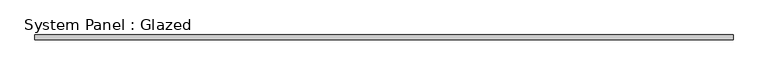
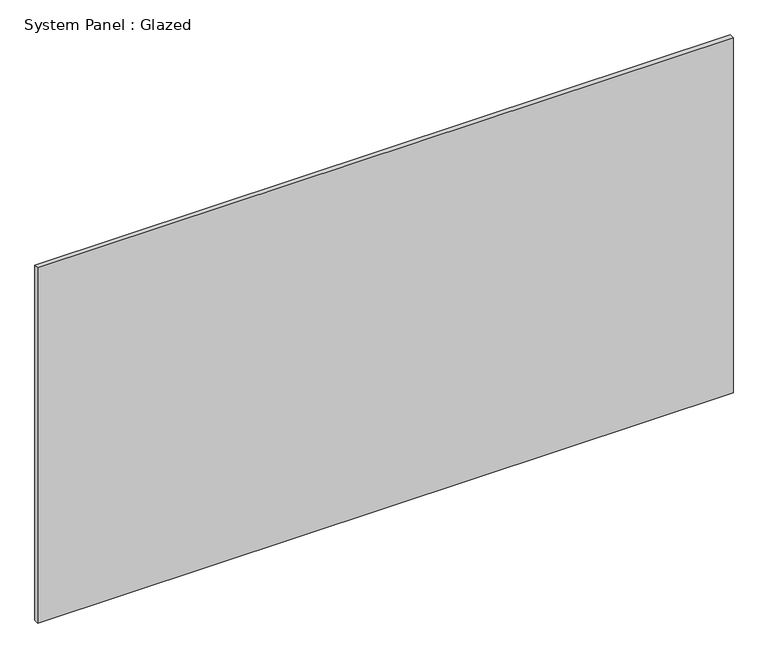
"""IFC4 building model written with IfcOpenShell, lengths in millimetres: plate geometry, System Panel : Glazed."""

import ifcopenshell
import ifcopenshell.guid

model = None  # the IFC model being written
_history = None  # IfcOwnerHistory: only IFC2X3 demands one
_inside = {}  # id of a spatial element -> (the spatial element, [elements in it])
_under = {}  # id of a project, library or spatial element -> (it, [spatial elements below it])
_declared = {}  # id of a project -> (the project, [libraries it declares])
_typed = {}  # id of a type object -> (the type object, [elements of that type])
_made_of = {}  # id of a material, layer set ... -> (it, [elements and type objects made of it])


def new_model(schema):
    """Start an empty IFC model of exactly this schema.

    Asked for "IFC4X3", IfcOpenShell would pick the latest addendum, in which some entities
    have other attributes; the version numbers below select the first issue.
    IFC2X3 requires an IfcOwnerHistory on every rooted entity: one is made here for all.
    """
    global model, _history
    if schema == "IFC4X3":
        model = ifcopenshell.file(schema_version=(4, 3, 0, 0))
    else:
        model = ifcopenshell.file(schema=schema)
    _inside.clear()
    _under.clear()
    _declared.clear()
    _typed.clear()
    _made_of.clear()
    _history = None
    if model.schema == "IFC2X3":
        org = make("IfcOrganization", Name="unknown")
        user = make(
            "IfcPersonAndOrganization",
            ThePerson=make("IfcPerson", FamilyName="unknown"),
            TheOrganization=org,
        )
        app = make(
            "IfcApplication",
            ApplicationDeveloper=org,
            Version="unknown",
            ApplicationFullName="unknown",
            ApplicationIdentifier="unknown",
        )
        _history = make(
            "IfcOwnerHistory",
            OwningUser=user,
            OwningApplication=app,
            ChangeAction="ADDED",
            CreationDate=0,
        )
    return model


def make(cls, **values):
    """One entity of the class cls with the attributes given. An attribute that is None is left unset."""
    return model.create_entity(
        cls, **{name: value for name, value in values.items() if value is not None}
    )


def rooted(cls, **values):
    """An entity with a GlobalId (a new one), such as an element, a storey or a relation."""
    return make(cls, GlobalId=ifcopenshell.guid.new(), OwnerHistory=_history, **values)


def si_unit(unit_type, name, prefix=None):
    """IfcSIUnit, for example si_unit("LENGTHUNIT", "METRE", prefix="MILLI")."""
    return make("IfcSIUnit", UnitType=unit_type, Prefix=prefix, Name=name)


def assignment(units):
    """IfcUnitAssignment: the units of a project."""
    return None if units is None else make("IfcUnitAssignment", Units=units)


def point(xyz):
    """IfcCartesianPoint."""
    return None if xyz is None else make("IfcCartesianPoint", Coordinates=xyz)


def direction(xyz):
    """IfcDirection."""
    return None if xyz is None else make("IfcDirection", DirectionRatios=xyz)


def frame(location, z_axis=None, x_axis=None):
    """IfcAxis2Placement3D, a coordinate frame: its origin and axes. An axis left out is left unset."""
    return make(
        "IfcAxis2Placement3D",
        Location=point(location),
        Axis=direction(z_axis),
        RefDirection=direction(x_axis),
    )


def origin():
    """The frame at (0, 0, 0) with its axes left unset."""
    return frame((0.0, 0.0, 0.0))


def origin_with_axes():
    """The frame at (0, 0, 0) with the z axis (0, 0, 1) and the x axis (1, 0, 0) written out."""
    return frame((0.0, 0.0, 0.0), z_axis=(0.0, 0.0, 1.0), x_axis=(1.0, 0.0, 0.0))


def place(relative_to, where):
    """IfcLocalPlacement: puts the frame where relative to a parent placement (None: the world)."""
    return make(
        "IfcLocalPlacement", PlacementRelTo=relative_to, RelativePlacement=where
    )


def context(
    kind, dimensions, precision=None, world=None, true_north=None, identifier=None
):
    """IfcGeometricRepresentationContext, for example the 3D "Model" context."""
    return make(
        "IfcGeometricRepresentationContext",
        ContextIdentifier=identifier,
        ContextType=kind,
        CoordinateSpaceDimension=dimensions,
        Precision=precision,
        WorldCoordinateSystem=world,
        TrueNorth=true_north,
    )


def project(units=None, contexts=None):
    """IfcProject with its units and contexts."""
    return rooted(
        "IfcProject",
        Name="project",
        RepresentationContexts=contexts,
        UnitsInContext=assignment(units),
    )


def spatial(cls, under=None, at=None, **own):
    """A site, building, storey or space (cls), placed at a placement, below another one or the project."""
    s = rooted(cls, ObjectPlacement=at, **own)
    if under is not None:
        _under.setdefault(under.id(), (under, []))[1].append(s)
    return s


def polyline(points):
    """IfcPolyline through the points."""
    return make("IfcPolyline", Points=[point(p) for p in points])


def outline(outer, holes=None, kind="AREA"):
    """IfcArbitraryClosedProfileDef: a profile drawn as a closed curve; with holes, ...WithVoids."""
    if holes is None:
        return make("IfcArbitraryClosedProfileDef", ProfileType=kind, OuterCurve=outer)
    return make(
        "IfcArbitraryProfileDefWithVoids",
        ProfileType=kind,
        OuterCurve=outer,
        InnerCurves=holes,
    )


def extrude(swept, where, along, depth):
    """IfcExtrudedAreaSolid: the profile swept, set in the frame where, extruded along a direction by depth."""
    return make(
        "IfcExtrudedAreaSolid",
        SweptArea=swept,
        Position=where,
        ExtrudedDirection=direction(along),
        Depth=depth,
    )


def shape(context_of_items, identifier, shape_type, items):
    """IfcShapeRepresentation: the items that make up one representation, for example the "Body"."""
    return make(
        "IfcShapeRepresentation",
        ContextOfItems=context_of_items,
        RepresentationIdentifier=identifier,
        RepresentationType=shape_type,
        Items=items,
    )


def source(mapping_origin, context_of_items, identifier, shape_type, items):
    """IfcRepresentationMap: a shape defined once, which mapped items show again and again."""
    return make(
        "IfcRepresentationMap",
        MappingOrigin=mapping_origin,
        MappedRepresentation=shape(context_of_items, identifier, shape_type, items),
    )


def transform(
    local_origin,
    x_axis=None,
    y_axis=None,
    z_axis=None,
    scale=None,
    scale2=None,
    scale3=None,
    uniform=True,
):
    """IfcCartesianTransformationOperator3D, or its non-uniform kind. x_axis, y_axis, z_axis: its Axis1, 2, 3."""
    if uniform:
        return make(
            "IfcCartesianTransformationOperator3D",
            Axis1=direction(x_axis),
            Axis2=direction(y_axis),
            LocalOrigin=point(local_origin),
            Scale=scale,
            Axis3=direction(z_axis),
        )
    return make(
        "IfcCartesianTransformationOperator3DnonUniform",
        Axis1=direction(x_axis),
        Axis2=direction(y_axis),
        LocalOrigin=point(local_origin),
        Scale=scale,
        Axis3=direction(z_axis),
        Scale2=scale2,
        Scale3=scale3,
    )


def mapped(mapping_source, mapping_target):
    """IfcMappedItem: shows the shape of a source again, moved by a transform."""
    return make(
        "IfcMappedItem", MappingSource=mapping_source, MappingTarget=mapping_target
    )


def made_of(thing, what):
    """Note that an element or type object is made of a material, layer set ...; save() writes the relation."""
    if what is not None:
        _made_of.setdefault(what.id(), (what, []))[1].append(thing)
    return thing


def element(
    cls,
    number,
    at=None,
    inside=None,
    cuts=None,
    type_object=None,
    material=None,
    context=None,
    identifier="Body",
    shape_type=None,
    held_by="IfcProductDefinitionShape",
    body=None,
    shapes=None,
    **own,
):
    """One element of the class cls, such as IfcWall. Its Tag is "e" and its number.

    at: its placement. inside: the storey or other place that contains it. cuts: it is an
    opening in that element (IfcRelVoidsElement). A single representation is given by context,
    identifier, shape_type and body (its items); several are given by shapes. held_by: the class
    of the entity that holds the representations. save() writes the other relations.
    """
    e = rooted(cls, Tag="e%d" % number, ObjectPlacement=at, **own)
    if body is not None:
        shapes = [shape(context, identifier, shape_type, body)]
    if shapes is not None:
        e.Representation = make(held_by, Representations=shapes)
    if inside is not None:
        _inside.setdefault(inside.id(), (inside, []))[1].append(e)
    if cuts is not None:
        rooted(
            "IfcRelVoidsElement", RelatingBuildingElement=cuts, RelatedOpeningElement=e
        )
    if type_object is not None:
        _typed.setdefault(type_object.id(), (type_object, []))[1].append(e)
    return made_of(e, material)


def aggregate(whole, parts):
    """IfcRelAggregates: a whole, such as a stair, and the parts it consists of."""
    return rooted("IfcRelAggregates", RelatingObject=whole, RelatedObjects=parts)


def save(model, path):
    """Write the relations noted so far, then the file.

    IfcRelAggregates (storeys below a building ...), IfcRelContainedInSpatialStructure (elements
    in a storey), IfcRelDefinesByType, IfcRelAssociatesMaterial and IfcRelDeclares: one each for
    every whole, place, type object, material and project.
    """
    for whole, parts in _under.values():
        aggregate(whole, parts)
    for where, things in _inside.values():
        rooted(
            "IfcRelContainedInSpatialStructure",
            RelatedElements=things,
            RelatingStructure=where,
        )
    for kind, things in _typed.values():
        rooted("IfcRelDefinesByType", RelatedObjects=things, RelatingType=kind)
    for what, things in _made_of.values():
        rooted("IfcRelAssociatesMaterial", RelatedObjects=things, RelatingMaterial=what)
    for by, libraries in _declared.values():
        rooted("IfcRelDeclares", RelatingContext=by, RelatedDefinitions=libraries)
    model.write(path)


def system_panel_glazed_76147136(model_context):
    return source(origin(), model_context, "Body", "SweptSolid", [
        extrude(outline(polyline([(1852.1499634, -49.5), (-1852.1499634, -49.5), (-1852.1499634, -24.5), (1852.1499634, -24.5), (1852.1499634, -49.5)])), origin_with_axes(), (0.0, 0.0, 1.0), 2000.0),
    ])


if __name__ == "__main__":
    model = new_model("IFC4")
    model_context = context("Model", 3, world=origin())
    ifc_project = project(units=[si_unit("LENGTHUNIT", "METRE", prefix="MILLI")], contexts=[model_context])
    site = spatial("IfcSite", under=ifc_project)
    building = spatial("IfcBuilding", under=site)
    placement = place(None, origin())
    system_panel_glazed_shape = system_panel_glazed_76147136(model_context)
    element("IfcPlate", 1, ObjectType="System Panel : Glazed", at=placement, inside=building, context=model_context, shape_type="MappedRepresentation", body=[
        mapped(system_panel_glazed_shape, transform((0.0, 0.0, 0.0), x_axis=(1.0, 0.0, 0.0), y_axis=(0.0, 1.0, 0.0), z_axis=(0.0, 0.0, 1.0))),
    ])
    save(model, "model.ifc")
